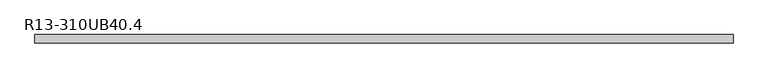
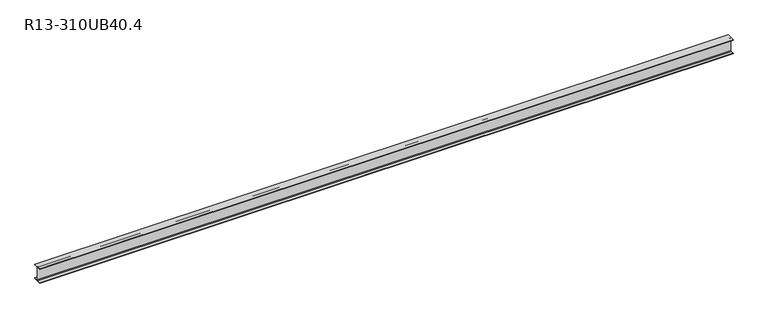
"""IFC4 building model written with IfcOpenShell, lengths in millimetres: beam geometry, R13-310UB40.4."""

from ifc_helpers import new_model, si_unit, point, frame, frame_2d, origin, place, context, project, spatial, polyline, circle_curve, trimmed, segment, composite_curve, outline, extrude, source, transform, mapped, element, save


def r13_310ub40_4_6216c4c4(model_context):
    return source(origin(), model_context, "Body", "SweptSolid", [
        extrude(outline(composite_curve([segment(polyline([(-82.5, -141.8), (-14.45, -141.8)]), True, "CONTINUOUS"), segment(trimmed(circle_curve(frame_2d((-14.45, -130.4)), 11.4), [point((-14.45, -141.8))], [point((-3.05, -130.4))], True, "CARTESIAN"), True, "CONTINUOUS"), segment(polyline([(-3.05, -130.4), (-3.05, 130.4)]), True, "CONTINUOUS"), segment(trimmed(circle_curve(frame_2d((-14.45, 130.4)), 11.4), [point((-3.05, 130.4))], [point((-14.45, 141.8))], True, "CARTESIAN"), True, "CONTINUOUS"), segment(polyline([(-14.45, 141.8), (-82.5, 141.8), (-82.5, 152.0), (82.5, 152.0), (82.5, 141.8), (14.45, 141.8)]), True, "CONTINUOUS"), segment(trimmed(circle_curve(frame_2d((14.45, 130.4)), 11.4), [point((14.45, 141.8))], [point((3.05, 130.4))], True, "CARTESIAN"), True, "CONTINUOUS"), segment(polyline([(3.05, 130.4), (3.05, -130.4)]), True, "CONTINUOUS"), segment(trimmed(circle_curve(frame_2d((14.45, -130.4)), 11.4), [point((3.05, -130.4))], [point((14.45, -141.8))], True, "CARTESIAN"), True, "CONTINUOUS"), segment(polyline([(14.45, -141.8), (82.5, -141.8), (82.5, -152.0), (-82.5, -152.0), (-82.5, -141.8)]), True, "CONTINUOUS")], self_intersect=False)), frame((-6990.5, 0.0, 0.0), z_axis=(1.0, 0.0, 0.0), x_axis=(0.0, 1.0, 0.0)), (0.0, 0.0, 1.0), 13932.0),
    ])


if __name__ == "__main__":
    model = new_model("IFC4")
    model_context = context("Model", 3, world=origin())
    ifc_project = project(units=[si_unit("LENGTHUNIT", "METRE", prefix="MILLI")], contexts=[model_context])
    site = spatial("IfcSite", under=ifc_project)
    building = spatial("IfcBuilding", under=site)
    placement = place(None, origin())
    r13_310ub40_4_shape = r13_310ub40_4_6216c4c4(model_context)
    element("IfcBeam", 1, ObjectType="R13-310UB40.4", at=placement, inside=building, context=model_context, shape_type="MappedRepresentation", body=[
        mapped(r13_310ub40_4_shape, transform((0.0, 0.0, 0.0), x_axis=(1.0, 0.0, 0.0), y_axis=(0.0, 1.0, 0.0), z_axis=(0.0, 0.0, 1.0))),
    ])
    save(model, "model.ifc")
